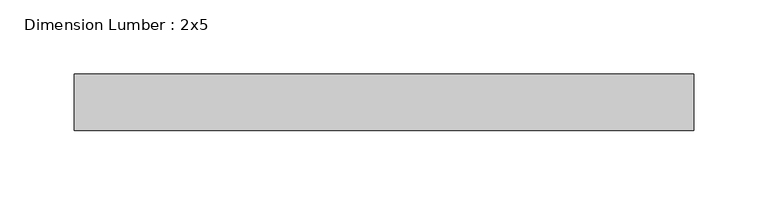
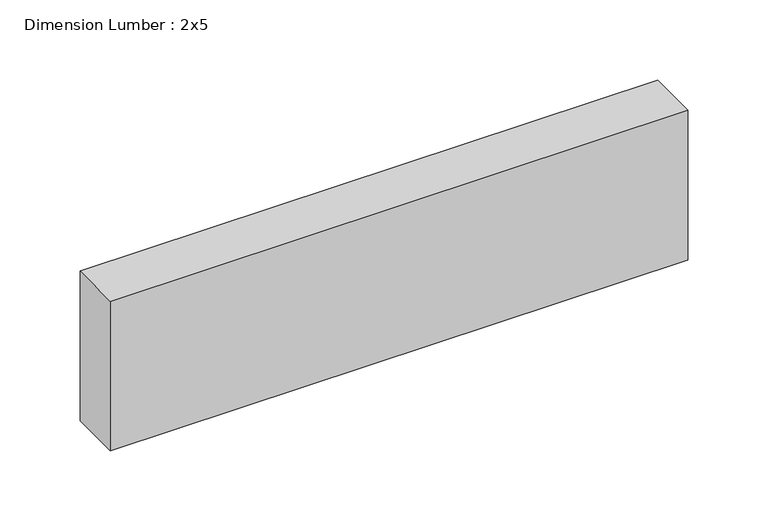
"""IFC4 building model written with IfcOpenShell, lengths in millimetres: beam geometry, Dimension Lumber : 2x5."""

from ifc_helpers import new_model, si_unit, frame, origin, place, context, project, spatial, polyline, outline, extrude, source, transform, mapped, element, save


def dimension_lumber_2x5_66845085(model_context):
    return source(origin(), model_context, "Body", "SweptSolid", [
        extrude(outline(polyline([(208.3900222, 19.05), (208.3900222, -19.05), (-208.3900222, -19.05), (-208.3900222, 19.05), (208.3900222, 19.05)])), frame((0.0, 0.0, -57.15), z_axis=(0.0, 0.0, 1.0), x_axis=(1.0, 0.0, 0.0)), (0.0, 0.0, 1.0), 114.3),
    ])


if __name__ == "__main__":
    model = new_model("IFC4")
    model_context = context("Model", 3, world=origin())
    ifc_project = project(units=[si_unit("LENGTHUNIT", "METRE", prefix="MILLI")], contexts=[model_context])
    site = spatial("IfcSite", under=ifc_project)
    building = spatial("IfcBuilding", under=site)
    placement = place(None, origin())
    dimension_lumber_2x5_shape = dimension_lumber_2x5_66845085(model_context)
    element("IfcBeam", 1, ObjectType="Dimension Lumber : 2x5", at=placement, inside=building, context=model_context, shape_type="MappedRepresentation", body=[
        mapped(dimension_lumber_2x5_shape, transform((0.0, 0.0, 0.0), x_axis=(1.0, 0.0, 0.0), y_axis=(0.0, 1.0, 0.0), z_axis=(0.0, 0.0, 1.0))),
    ])
    save(model, "model.ifc")
